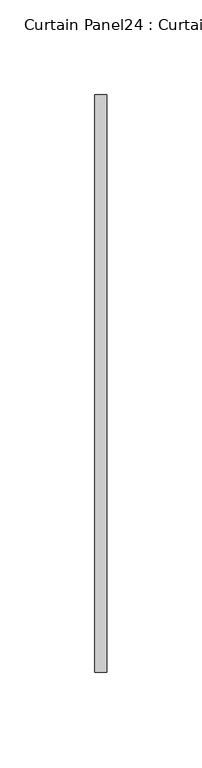
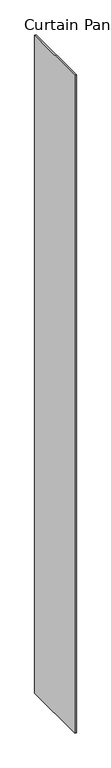
"""IFC4 building model written with IfcOpenShell, lengths in millimetres: plate geometry, Curtain Panel24 : Curtain Panel."""

from ifc_helpers import new_model, si_unit, origin, origin_with_axes, place, context, project, spatial, polyline, outline, extrude, source, transform, mapped, element, save


def curtain_panel24_curtain_panel_6d1ce236(model_context):
    return source(origin(), model_context, "Body", "SweptSolid", [
        extrude(outline(polyline([(308410.2933139, 1971.356798), (308410.2933139, 2276.156798), (308416.6433139, 2276.156798), (308416.6433139, 1971.356798), (308410.2933139, 1971.356798)])), origin_with_axes(), (0.0, 0.0, 1.0), 3048.0),
    ])


if __name__ == "__main__":
    model = new_model("IFC4")
    model_context = context("Model", 3, world=origin())
    ifc_project = project(units=[si_unit("LENGTHUNIT", "METRE", prefix="MILLI")], contexts=[model_context])
    site = spatial("IfcSite", under=ifc_project)
    building = spatial("IfcBuilding", under=site)
    placement = place(None, origin())
    curtain_panel24_curtain_panel_shape = curtain_panel24_curtain_panel_6d1ce236(model_context)
    element("IfcPlate", 1, ObjectType="Curtain Panel24 : Curtain Panel", at=placement, inside=building, context=model_context, shape_type="MappedRepresentation", body=[
        mapped(curtain_panel24_curtain_panel_shape, transform((0.0, 0.0, 0.0), x_axis=(1.0, 0.0, 0.0), y_axis=(0.0, 1.0, 0.0), z_axis=(0.0, 0.0, 1.0))),
    ])
    save(model, "model.ifc")
